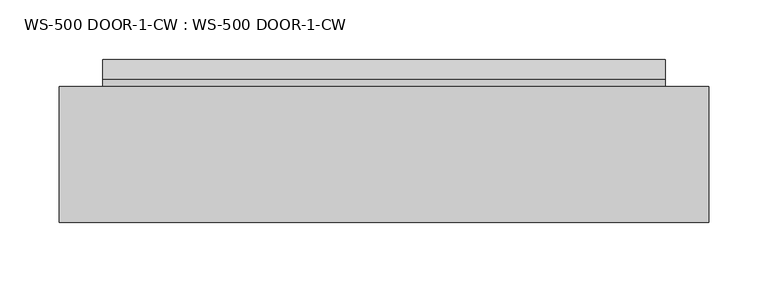
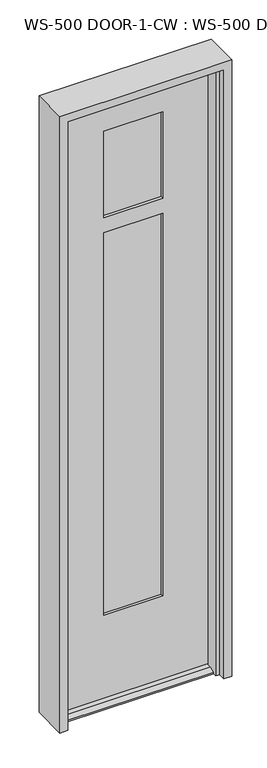
"""IFC4 building model written with IfcOpenShell, lengths in millimetres: plate geometry, WS-500 DOOR-1-CW : WS-500 DOOR-1-CW."""

from ifc_helpers import new_model, si_unit, frame, origin, place, context, project, spatial, polyline, outline, extrude, faceted_brep, source, transform, mapped, element, save


def ws_500_door_1_cw_ws_500_door_1_cw_5dae25c3(model_context):
    return source(origin(), model_context, "Body", "SolidModel", [
        extrude(outline(polyline([(100.5787258, -35.7835632), (100.5787258, -42.0827632), (-100.3353658, -42.0827632), (-100.3353658, -35.7835632), (100.5787258, -35.7835632)])), frame((0.0, 0.0, 1619.25), z_axis=(0.0, 0.0, 1.0), x_axis=(1.0, 0.0, 0.0)), (0.0, 0.0, 1.0), 304.8),
        extrude(outline(polyline([(100.5787258, -54.8843632), (100.5787258, -61.1835632), (-100.3353658, -61.1835632), (-100.3353658, -54.8843632), (100.5787258, -54.8843632)])), frame((0.0, 0.0, 1619.25), z_axis=(0.0, 0.0, 1.0), x_axis=(1.0, 0.0, 0.0)), (0.0, 0.0, 1.0), 304.8),
        extrude(outline(polyline([(100.5787258, -35.7835632), (100.5787258, -42.0827632), (-100.3353658, -42.0827632), (-100.3353658, -35.7835632), (100.5787258, -35.7835632)])), frame((0.0, 0.0, 283.36875), z_axis=(0.0, 0.0, 1.0), x_axis=(1.0, 0.0, 0.0)), (0.0, 0.0, 1.0), 1299.36875),
        extrude(outline(polyline([(100.5787258, -54.8843632), (100.5787258, -61.1835632), (-100.3353658, -61.1835632), (-100.3353658, -54.8843632), (100.5787258, -54.8843632)])), frame((0.0, 0.0, 283.36875), z_axis=(0.0, 0.0, 1.0), x_axis=(1.0, 0.0, 0.0)), (0.0, 0.0, 1.0), 1299.36875),
        faceted_brep([(93.4349758, -26.2585632, 1916.90625), (93.4349758, -35.7835632, 1916.90625), (-93.1916158, -35.7835632, 1916.90625), (-93.1916158, -26.2585632, 1916.90625), (100.5787258, -35.7835632, 1924.05), (100.5787258, -61.1835632, 1924.05), (-100.3353658, -61.1835632, 1924.05), (-100.3353658, -35.7835632, 1924.05), (93.4349758, -61.1835632, 1916.90625), (93.4349758, -70.7085632, 1916.90625), (-93.1916158, -70.7085632, 1916.90625), (-93.1916158, -61.1835632, 1916.90625), (236.7163758, -70.7085632, 12.7), (236.7163758, -87.3583086, 12.7), (236.7163758, -104.046154, 4.9183299), (236.7163758, -104.046154, 0.0), (236.7163758, -70.7085632, 0.0), (236.7163758, -2.4460632, 0.0), (236.7163758, -2.4460632, 4.9183299), (236.7163758, -19.1339086, 12.7), (236.7163758, -26.2585632, 12.7), (236.7163758, -26.2585632, 0.0), (-236.4730158, -26.2585632, 12.7), (-236.4730158, -19.1339086, 12.7), (-236.4730158, -2.4460632, 4.9183299), (-236.4730158, -2.4460632, 0.0), (-236.4730158, -26.2585632, 0.0), (-236.4730158, -104.046154, 0.0), (-236.4730158, -104.046154, 4.9183299), (-236.4730158, -87.3583086, 12.7), (-236.4730158, -70.7085632, 12.7), (-236.4730158, -70.7085632, 0.0), (93.4349758, -35.7835632, 290.5125), (93.4349758, -26.2585632, 290.5125), (-93.1916158, -26.2585632, 290.5125), (-93.1916158, -35.7835632, 290.5125), (100.5787258, -61.1835632, 283.36875), (100.5787258, -35.7835632, 283.36875), (-100.3353658, -35.7835632, 283.36875), (-100.3353658, -61.1835632, 283.36875), (93.4349758, -70.7085632, 290.5125), (93.4349758, -61.1835632, 290.5125), (-93.1916158, -61.1835632, 290.5125), (-93.1916158, -70.7085632, 290.5125), (93.4349758, -26.2585632, 1626.39375), (-93.1916158, -26.2585632, 1626.39375), (-93.1916158, -35.7835632, 1626.39375), (93.4349758, -35.7835632, 1626.39375), (-100.3353658, -61.1835632, 1619.25), (100.5787258, -61.1835632, 1619.25), (100.5787258, -35.7835632, 1619.25), (-100.3353658, -35.7835632, 1619.25), (93.4349758, -61.1835632, 1626.39375), (-93.1916158, -61.1835632, 1626.39375), (-93.1916158, -70.7085632, 1626.39375), (93.4349758, -70.7085632, 1626.39375), (-93.1916158, -61.1835632, 1575.59375), (93.4349758, -61.1835632, 1575.59375), (93.4349758, -70.7085632, 1575.59375), (-93.1916158, -70.7085632, 1575.59375), (100.5787258, -61.1835632, 1582.7375), (-100.3353658, -61.1835632, 1582.7375), (-100.3353658, -35.7835632, 1582.7375), (100.5787258, -35.7835632, 1582.7375), (-93.1916158, -26.2585632, 1575.59375), (93.4349758, -26.2585632, 1575.59375), (93.4349758, -35.7835632, 1575.59375), (-93.1916158, -35.7835632, 1575.59375), (-236.4730158, -70.7085632, 2037.55625), (-239.2416158, -26.2585632, 2037.55625), (-239.2416158, -26.2585632, 0.0), (239.4849758, -26.2585632, 2037.55625), (236.7163758, -70.7085632, 2037.55625), (239.4849758, -26.2585632, 0.0)], [[[0, 1, 2, 3]], [[4, 5, 6, 7]], [[8, 9, 10, 11]], [[12, 13, 14, 15, 16]], [[17, 18, 19, 20, 21]], [[22, 23, 24, 25, 26]], [[27, 28, 29, 30, 31]], [[32, 33, 34, 35]], [[36, 37, 38, 39]], [[40, 41, 42, 43]], [[13, 12, 30, 29]], [[20, 19, 23, 22]], [[44, 45, 46, 47]], [[48, 49, 50, 51]], [[52, 53, 54, 55]], [[56, 57, 58, 59]], [[60, 61, 62, 63]], [[64, 65, 66, 67]], [[14, 13, 29, 28]], [[15, 14, 28, 27]], [[18, 17, 25, 24]], [[19, 18, 24, 23]], [[11, 10, 54, 53]], [[43, 42, 56, 59]], [[51, 7, 6, 48]], [[61, 39, 38, 62]], [[3, 2, 46, 45]], [[35, 34, 64, 67]], [[68, 69, 70, 31, 30]], [[71, 72, 12, 16, 73]], [[1, 0, 44, 47]], [[33, 32, 66, 65]], [[38, 37, 63, 62], [32, 35, 67, 66]], [[4, 7, 51, 50], [2, 1, 47, 46]], [[63, 37, 36, 60]], [[49, 5, 4, 50]], [[6, 5, 49, 48], [8, 11, 53, 52]], [[36, 39, 61, 60], [42, 41, 57, 56]], [[9, 8, 52, 55]], [[41, 40, 58, 57]], [[12, 72, 68, 30], [43, 59, 58, 40], [10, 9, 55, 54]], [[71, 73, 21, 20, 22, 26, 70, 69], [0, 3, 45, 44], [33, 65, 64, 34]], [[72, 71, 69, 68]], [[73, 16, 15, 27, 31, 70, 26, 25, 17, 21]]]),
        faceted_brep([(-273.05, -139.7, 2070.1), (-273.05, -25.4, 2070.1), (-273.05, -25.4, 0.0), (-273.05, -139.7, 0.0), (273.05, -25.4, 2070.1), (273.05, -139.7, 2070.1), (273.05, -139.7, 0.0), (273.05, -25.4, 0.0), (234.95, -116.713, 0.0), (247.65, -116.713, 0.0), (247.65, -116.713, 2044.7), (-247.65, -116.713, 2044.7), (-247.65, -116.713, 0.0), (-234.95, -116.713, 0.0), (-234.95, -116.713, 2032.0), (234.95, -116.713, 2032.0), (247.65, -139.7, 2044.7), (-247.65, -139.7, 2044.7), (-247.65, -139.7, 0.0), (247.65, -139.7, 0.0), (247.65, -25.4, 0.0), (247.65, -25.4, 2044.7), (-247.65, -25.4, 2044.7), (-247.65, -25.4, 0.0), (247.65, -75.438, 2044.7), (-247.65, -75.438, 2044.7), (247.65, -75.438, 0.0), (234.95, -75.438, 0.0), (234.95, -75.438, 2032.0), (-234.95, -75.438, 2032.0), (-234.95, -75.438, 0.0), (-247.65, -75.438, 0.0)], [[[0, 1, 2, 3]], [[4, 5, 6, 7]], [[8, 9, 10, 11, 12, 13, 14, 15]], [[11, 10, 16, 17]], [[0, 3, 18, 17, 16, 19, 6, 5]], [[4, 1, 0, 5]], [[2, 1, 4, 7, 20, 21, 22, 23]], [[21, 24, 25, 22]], [[26, 27, 28, 29, 30, 31, 25, 24]], [[28, 15, 14, 29]], [[27, 26, 20, 7, 6, 19, 9, 8]], [[20, 26, 24, 21]], [[9, 19, 16, 10]], [[27, 8, 15, 28]], [[30, 13, 12, 18, 3, 2, 23, 31]], [[13, 30, 29, 14]], [[18, 12, 11, 17]], [[25, 31, 23, 22]]]),
    ])


if __name__ == "__main__":
    model = new_model("IFC4")
    model_context = context("Model", 3, world=origin())
    ifc_project = project(units=[si_unit("LENGTHUNIT", "METRE", prefix="MILLI")], contexts=[model_context])
    site = spatial("IfcSite", under=ifc_project)
    building = spatial("IfcBuilding", under=site)
    placement = place(None, origin())
    ws_500_door_1_cw_ws_500_door_1_cw_shape = ws_500_door_1_cw_ws_500_door_1_cw_5dae25c3(model_context)
    element("IfcPlate", 1, ObjectType="WS-500 DOOR-1-CW : WS-500 DOOR-1-CW", at=placement, inside=building, context=model_context, shape_type="MappedRepresentation", body=[
        mapped(ws_500_door_1_cw_ws_500_door_1_cw_shape, transform((0.0, 0.0, 0.0), x_axis=(1.0, 0.0, 0.0), y_axis=(0.0, 1.0, 0.0), z_axis=(0.0, 0.0, 1.0))),
    ])
    save(model, "model.ifc")
